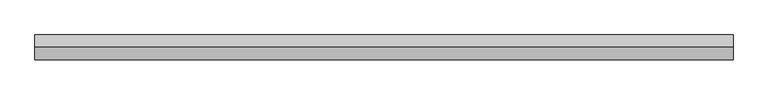
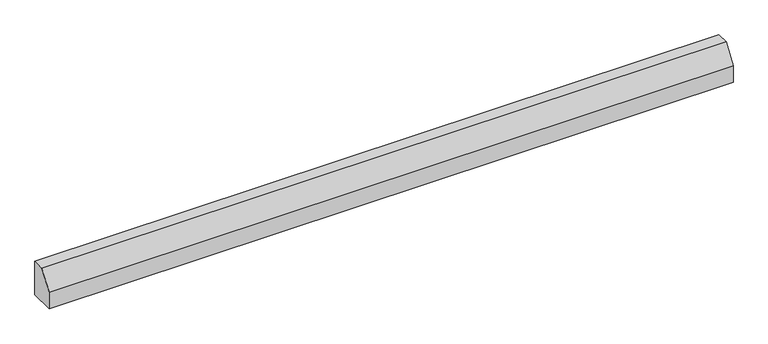
"""IFC4 building model written with IfcOpenShell, lengths in millimetres: proxy geometry."""

from ifc_helpers import new_model, si_unit, frame, origin, place, context, project, spatial, polyline, outline, extrude, source, transform, mapped, element, save


def generic_models_9f2651fb(model_context):
    return source(origin(), model_context, "Body", "SweptSolid", [
        extrude(outline(polyline([(6412.8552788, 8500.0), (6762.8552788, 8500.0), (6762.8552788, 7500.0), (6062.8552788, 7500.0), (6062.8552788, 8000.0), (6412.8552788, 8500.0)])), frame((-27385.9314175, 0.0, 0.0), z_axis=(1.0, 0.0, 0.0), x_axis=(0.0, 1.0, 0.0)), (0.0, 0.0, 1.0), 19539.5416281),
    ])


if __name__ == "__main__":
    model = new_model("IFC4")
    model_context = context("Model", 3, world=origin())
    ifc_project = project(units=[si_unit("LENGTHUNIT", "METRE", prefix="MILLI")], contexts=[model_context])
    site = spatial("IfcSite", under=ifc_project)
    building = spatial("IfcBuilding", under=site)
    placement = place(None, origin())
    generic_models_shape = generic_models_9f2651fb(model_context)
    element("IfcBuildingElementProxy", 1, Name="Generic Models", at=placement, inside=building, context=model_context, shape_type="MappedRepresentation", body=[
        mapped(generic_models_shape, transform((0.0, 0.0, 0.0), x_axis=(1.0, 0.0, 0.0), y_axis=(0.0, 1.0, 0.0), z_axis=(0.0, 0.0, 1.0))),
    ])
    save(model, "model.ifc")
